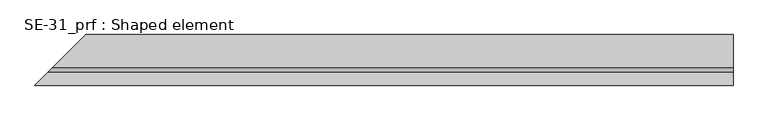
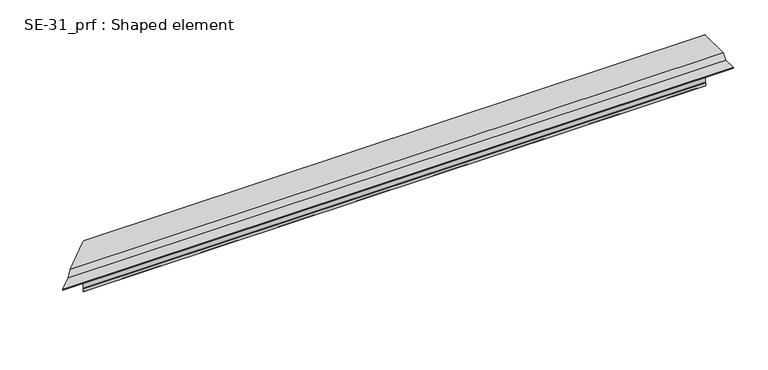
"""IFC4 building model written with IfcOpenShell, lengths in millimetres: proxy geometry, SE-31_prf : Shaped element."""

from ifc_helpers import new_model, si_unit, origin, place, context, project, spatial, faceted_brep, source, transform, mapped, element, save


def se_31_prf_shaped_element_d98619f6(model_context):
    return source(origin(), model_context, "Body", "Brep", [
        faceted_brep([(2.0, 2.0, -150.0), (5.0, 5.0, -150.0), (2000.0, 5.0, -150.0), (2000.0, 2.0, -150.0), (4.0, 4.0, -149.0), (3.0, 3.0, -149.0), (2000.0, 3.0, -149.0), (2000.0, 4.0, -149.0), (3.0, 3.0, -140.0), (2000.0, 3.0, -140.0), (2.0, 2.0, -140.0), (2000.0, 2.0, -140.0), (5.0, 5.0, 20.0), (0.0, 0.0, 20.0), (-96.0, -96.0, 20.0), (2000.0, -96.0, 20.0), (2000.0, 0.0, 20.0), (2000.0, 5.0, 20.0), (-111.0, -111.0, 5.0), (2000.0, -111.0, 5.0), (-151.0, -151.0, 5.0), (2000.0, -151.0, 5.0), (-151.0, -151.0, 2.0), (2000.0, -151.0, 2.0), (-141.0, -141.0, 2.0), (2000.0, -141.0, 2.0), (-141.0, -141.0, 3.0), (2000.0, -141.0, 3.0), (-150.0, -150.0, 3.0), (2000.0, -150.0, 3.0), (-150.0, -150.0, 4.0), (2000.0, -150.0, 4.0), (-110.5857864, -110.5857864, 4.0), (2000.0, -110.5857864, 4.0), (-95.5857864, -95.5857864, 19.0), (2000.0, -95.5857864, 19.0), (0.0, 0.0, 19.0), (4.0, 4.0, 19.0), (2000.0, 4.0, 19.0), (2000.0, 0.0, 19.0)], [[[0, 1, 2, 3]], [[4, 5, 6, 7]], [[5, 8, 9, 6]], [[8, 10, 11, 9]], [[10, 0, 3, 11]], [[12, 13, 14, 15, 16, 17]], [[14, 18, 19, 15]], [[18, 20, 21, 19]], [[20, 22, 23, 21]], [[22, 24, 25, 23]], [[24, 26, 27, 25]], [[26, 28, 29, 27]], [[28, 30, 31, 29]], [[30, 32, 33, 31]], [[32, 34, 35, 33]], [[36, 37, 38, 39, 35, 34]], [[37, 4, 7, 38]], [[1, 12, 17, 2]], [[36, 13, 12, 1, 0, 10, 8, 5, 4, 37]], [[13, 36, 34, 32, 30, 28, 26, 24, 22, 20, 18, 14]], [[16, 39, 38, 7, 6, 9, 11, 3, 2, 17]], [[39, 16, 15, 19, 21, 23, 25, 27, 29, 31, 33, 35]]]),
    ])


if __name__ == "__main__":
    model = new_model("IFC4")
    model_context = context("Model", 3, world=origin())
    ifc_project = project(units=[si_unit("LENGTHUNIT", "METRE", prefix="MILLI")], contexts=[model_context])
    site = spatial("IfcSite", under=ifc_project)
    building = spatial("IfcBuilding", under=site)
    placement = place(None, origin())
    se_31_prf_shaped_element_shape = se_31_prf_shaped_element_d98619f6(model_context)
    element("IfcBuildingElementProxy", 1, Name="SE-31_prf : Shaped element", ObjectType="SE-31_prf : Shaped element", at=placement, inside=building, context=model_context, shape_type="MappedRepresentation", body=[
        mapped(se_31_prf_shaped_element_shape, transform((0.0, 0.0, 0.0), x_axis=(1.0, 0.0, 0.0), y_axis=(0.0, 1.0, 0.0), z_axis=(0.0, 0.0, 1.0))),
    ])
    save(model, "model.ifc")
